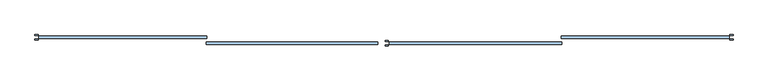
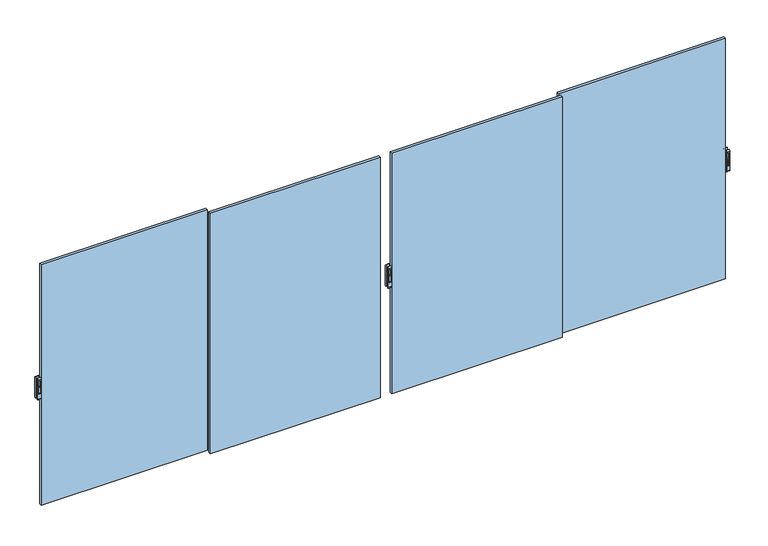
"""IFC4 building model written with IfcOpenShell, lengths in millimetres: window geometry."""

from ifc_helpers import new_model, si_unit, point, frame, frame_2d, origin, place, context, project, spatial, polyline, circle_curve, trimmed, segment, composite_curve, outline, extrude, source, transform, mapped, element, save
from ifc_brep_helpers import plane_surface, cylinder_surface, advanced_brep


def window_b14a711a(model_context):
    return source(origin(), model_context, "Body", "SolidModel", [
        extrude(outline(composite_curve([segment(polyline([(-105.3, 2225.2189223), (-105.3, 2289.6559659)]), True, "CONTINUOUS"), segment(trimmed(circle_curve(frame_2d((-94.7370436, 2289.6559659)), 10.5629564), [point((-105.3, 2289.6559659))], [point((-94.7370436, 2300.2189223))], False, "CARTESIAN"), True, "CONTINUOUS"), segment(polyline([(-94.7370436, 2300.2189223), (-99.5185218, 2225.2189223), (-105.3, 2225.2189223)]), True, "CONTINUOUS")], self_intersect=False)), frame((2124.9524004, 0.0, 0.0), z_axis=(1.0, 0.0, 0.0), x_axis=(0.0, 1.0, 0.0)), (0.0, 0.0, 1.0), 14.8235768),
        advanced_brep(
        [(2150.3600124, -105.3, 2157.5), (2150.3600124, -93.3, 2140.0), (2150.3600124, -93.3, 2400.0), (2150.3600124, -105.3, 2382.5), (2114.4063217, -105.3, 2157.5), (2114.4063217, -105.3, 2382.5), (2114.4063217, -93.3, 2400.0), (2114.4063217, -93.3, 2140.0), (2123.5689368, -105.3, 2366.667345), (2141.1594408, -105.3, 2366.667345), (2141.1594408, -105.3, 2210.7687336), (2123.5689368, -105.3, 2210.7687336), (2141.1594408, -94.7370436, 2366.667345), (2123.5689368, -94.7370436, 2366.667345), (2123.5689368, -94.7370436, 2210.7687336), (2141.1594408, -94.7370436, 2210.7687336)],
        [
            (0, 1, circle_curve(frame((2150.3600124, -86.5395833, 2157.5), z_axis=(1.0, 0.0, 0.0), x_axis=(0.0, 0.0, -1.0)), 18.7604167)),
            (1, 2),
            (2, 3, circle_curve(frame((2150.3600124, -86.5395833, 2382.5), z_axis=(1.0, 0.0, 0.0), x_axis=(0.0, 0.0, -1.0)), 18.7604167)),
            (3, 0),
            (4, 5),
            (5, 6, circle_curve(frame((2114.4063217, -86.5395833, 2382.5), z_axis=(-1.0, 0.0, 0.0), x_axis=(0.0, 0.0, -1.0)), 18.7604167)),
            (6, 7),
            (7, 4, circle_curve(frame((2114.4063217, -86.5395833, 2157.5), z_axis=(-1.0, 0.0, 0.0), x_axis=(0.0, 0.0, -1.0)), 18.7604167)),
            (1, 7),
            (6, 2),
            (3, 5),
            (4, 0),
            (8, 9),
            (9, 10),
            (10, 11),
            (11, 8),
            (12, 13),
            (13, 14),
            (14, 15),
            (15, 12),
            (12, 9),
            (8, 13),
            (11, 14),
            (10, 15),
        ],
        [
            plane_surface(frame((2150.3600124, -86.5395833, 2138.7395833), z_axis=(1.0, 0.0, 0.0), x_axis=(0.0, 1.0, 0.0))),
            plane_surface(frame((2114.4063217, -86.5395833, 2138.7395833), z_axis=(-1.0, 0.0, 0.0), x_axis=(0.0, -1.0, 0.0))),
            plane_surface(frame((2150.3600124, -93.3, 2140.0), z_axis=(0.0, 1.0, 0.0), x_axis=(-1.0, 0.0, 0.0))),
            plane_surface(frame((2150.3600124, -105.3, 2382.5), z_axis=(0.0, -1.0, 0.0), x_axis=(-1.0, 0.0, 0.0))),
            plane_surface(frame((2123.5689368, -94.7370436, 2366.667345), z_axis=(0.0, -1.0, 0.0), x_axis=(1.0, 0.0, 0.0))),
            plane_surface(frame((2141.1594408, -105.3, 2366.667345), z_axis=(0.0, 0.0, -1.0), x_axis=(0.0, 1.0, 0.0))),
            plane_surface(frame((2123.5689368, -105.3, 2366.667345), z_axis=(1.0, 0.0, 0.0), x_axis=(0.0, 1.0, 0.0))),
            plane_surface(frame((2123.5689368, -105.3, 2210.7687336), z_axis=(0.0, 0.0, 1.0), x_axis=(0.0, 1.0, 0.0))),
            plane_surface(frame((2141.1594408, -105.3, 2210.7687336), z_axis=(-1.0, 0.0, 0.0), x_axis=(0.0, 1.0, 0.0))),
            cylinder_surface(frame((2114.4063217, -86.5395833, 2157.5), z_axis=(1.0, 0.0, 0.0), x_axis=(0.0, 0.0, -1.0)), 18.7604167),
            cylinder_surface(frame((2114.4063217, -86.5395833, 2382.5), z_axis=(1.0, 0.0, 0.0), x_axis=(0.0, 0.0, -1.0)), 18.7604167),
        ],
        [
            (0, [[1, 2, 3, 4]]),
            (1, [[5, 6, 7, 8]]),
            (2, [[-2, 9, -7, 10]]),
            (3, [[-4, 11, -5, 12], [13, 14, 15, 16]]),
            (4, [[17, 18, 19, 20]]),
            (5, [[-17, 21, -13, 22]]),
            (6, [[-18, -22, -16, 23]]),
            (7, [[-19, -23, -15, 24]]),
            (8, [[-20, -24, -14, -21]]),
            (9, [[-1, -12, -8, -9]]),
            (10, [[-3, -10, -6, -11]]),
        ],
    ),
        extrude(outline(composite_curve([segment(polyline([(-44.9, 2225.2189223), (-50.6814782, 2225.2189223), (-55.4629564, 2300.2189223)]), True, "CONTINUOUS"), segment(trimmed(circle_curve(frame_2d((-55.4629564, 2289.6559659)), 10.5629564), [point((-55.4629564, 2300.2189223))], [point((-44.9, 2289.6559659))], False, "CARTESIAN"), True, "CONTINUOUS"), segment(polyline([(-44.9, 2289.6559659), (-44.9, 2225.2189223)]), True, "CONTINUOUS")], self_intersect=False)), frame((2125.0369102, 0.0, 0.0), z_axis=(1.0, 0.0, 0.0), x_axis=(0.0, 1.0, 0.0)), (0.0, 0.0, 1.0), 14.8235768),
        advanced_brep(
        [(2114.4528751, -44.9, 2157.5), (2114.4528751, -56.9, 2140.0), (2114.4528751, -56.9, 2400.0), (2114.4528751, -44.9, 2382.5), (2150.4065657, -44.9, 2157.5), (2150.4065657, -44.9, 2382.5), (2150.4065657, -56.9, 2400.0), (2150.4065657, -56.9, 2140.0), (2141.2439506, -44.9, 2366.667345), (2123.6534466, -44.9, 2366.667345), (2123.6534466, -44.9, 2210.7687336), (2141.2439506, -44.9, 2210.7687336), (2123.6534466, -55.4629564, 2366.667345), (2141.2439506, -55.4629564, 2366.667345), (2141.2439506, -55.4629564, 2210.7687336), (2123.6534466, -55.4629564, 2210.7687336)],
        [
            (0, 1, circle_curve(frame((2114.4528751, -63.6604167, 2157.5), z_axis=(-1.0, 0.0, 0.0), x_axis=(0.0, 0.0, -1.0)), 18.7604167)),
            (1, 2),
            (2, 3, circle_curve(frame((2114.4528751, -63.6604167, 2382.5), z_axis=(-1.0, 0.0, 0.0), x_axis=(0.0, 0.0, -1.0)), 18.7604167)),
            (3, 0),
            (4, 5),
            (5, 6, circle_curve(frame((2150.4065657, -63.6604167, 2382.5), z_axis=(1.0, 0.0, 0.0), x_axis=(0.0, 0.0, -1.0)), 18.7604167)),
            (6, 7),
            (7, 4, circle_curve(frame((2150.4065657, -63.6604167, 2157.5), z_axis=(1.0, 0.0, 0.0), x_axis=(0.0, 0.0, -1.0)), 18.7604167)),
            (1, 7),
            (6, 2),
            (3, 5),
            (4, 0),
            (8, 9),
            (9, 10),
            (10, 11),
            (11, 8),
            (12, 13),
            (13, 14),
            (14, 15),
            (15, 12),
            (12, 9),
            (8, 13),
            (11, 14),
            (10, 15),
        ],
        [
            plane_surface(frame((2114.4528751, -63.6604167, 2138.7395833), z_axis=(-1.0, 0.0, 0.0), x_axis=(0.0, -1.0, 0.0))),
            plane_surface(frame((2150.4065657, -63.6604167, 2138.7395833), z_axis=(1.0, 0.0, 0.0), x_axis=(0.0, 1.0, 0.0))),
            plane_surface(frame((2114.4528751, -56.9, 2140.0), z_axis=(0.0, -1.0, 0.0), x_axis=(1.0, 0.0, 0.0))),
            plane_surface(frame((2114.4528751, -44.9, 2382.5), z_axis=(0.0, 1.0, 0.0), x_axis=(1.0, 0.0, 0.0))),
            plane_surface(frame((2141.2439506, -55.4629564, 2366.667345), z_axis=(0.0, 1.0, 0.0), x_axis=(-1.0, 0.0, 0.0))),
            plane_surface(frame((2123.6534466, -44.9, 2366.667345), z_axis=(0.0, 0.0, -1.0), x_axis=(0.0, -1.0, 0.0))),
            plane_surface(frame((2141.2439506, -44.9, 2366.667345), z_axis=(-1.0, 0.0, 0.0), x_axis=(0.0, -1.0, 0.0))),
            plane_surface(frame((2141.2439506, -44.9, 2210.7687336), z_axis=(0.0, 0.0, 1.0), x_axis=(0.0, -1.0, 0.0))),
            plane_surface(frame((2123.6534466, -44.9, 2210.7687336), z_axis=(1.0, 0.0, 0.0), x_axis=(0.0, -1.0, 0.0))),
            cylinder_surface(frame((2150.4065657, -63.6604167, 2157.5), z_axis=(-1.0, 0.0, 0.0), x_axis=(0.0, 0.0, -1.0)), 18.7604167),
            cylinder_surface(frame((2150.4065657, -63.6604167, 2382.5), z_axis=(-1.0, 0.0, 0.0), x_axis=(0.0, 0.0, -1.0)), 18.7604167),
        ],
        [
            (0, [[1, 2, 3, 4]]),
            (1, [[5, 6, 7, 8]]),
            (2, [[-2, 9, -7, 10]]),
            (3, [[-4, 11, -5, 12], [13, 14, 15, 16]]),
            (4, [[17, 18, 19, 20]]),
            (5, [[-17, 21, -13, 22]]),
            (6, [[-18, -22, -16, 23]]),
            (7, [[-19, -23, -15, 24]]),
            (8, [[-20, -24, -14, -21]]),
            (9, [[-1, -12, -8, -9]]),
            (10, [[-3, -10, -6, -11]]),
        ],
    ),
        extrude(outline(composite_curve([segment(polyline([(-39.3, 2225.2189223), (-39.3, 2289.6559659)]), True, "CONTINUOUS"), segment(trimmed(circle_curve(frame_2d((-28.7370436, 2289.6559659)), 10.5629564), [point((-39.3, 2289.6559659))], [point((-28.7370436, 2300.2189223))], False, "CARTESIAN"), True, "CONTINUOUS"), segment(polyline([(-28.7370436, 2300.2189223), (-33.5185218, 2225.2189223), (-39.3, 2225.2189223)]), True, "CONTINUOUS")], self_intersect=False)), frame((6028.439635, 0.0, 0.0), z_axis=(1.0, 0.0, 0.0), x_axis=(0.0, 1.0, 0.0)), (0.0, 0.0, 1.0), 14.8235768),
        advanced_brep(
        [(6053.8472469, -39.3, 2157.5), (6053.8472469, -27.3, 2140.0), (6053.8472469, -27.3, 2400.0), (6053.8472469, -39.3, 2382.5), (6017.8935563, -39.3, 2157.5), (6017.8935563, -39.3, 2382.5), (6017.8935563, -27.3, 2400.0), (6017.8935563, -27.3, 2140.0), (6027.0561714, -39.3, 2366.667345), (6044.6466754, -39.3, 2366.667345), (6044.6466754, -39.3, 2210.7687336), (6027.0561714, -39.3, 2210.7687336), (6044.6466754, -28.7370436, 2366.667345), (6027.0561714, -28.7370436, 2366.667345), (6027.0561714, -28.7370436, 2210.7687336), (6044.6466754, -28.7370436, 2210.7687336)],
        [
            (0, 1, circle_curve(frame((6053.8472469, -20.5395833, 2157.5), z_axis=(1.0, 0.0, 0.0), x_axis=(0.0, 0.0, -1.0)), 18.7604167)),
            (1, 2),
            (2, 3, circle_curve(frame((6053.8472469, -20.5395833, 2382.5), z_axis=(1.0, 0.0, 0.0), x_axis=(0.0, 0.0, -1.0)), 18.7604167)),
            (3, 0),
            (4, 5),
            (5, 6, circle_curve(frame((6017.8935563, -20.5395833, 2382.5), z_axis=(-1.0, 0.0, 0.0), x_axis=(0.0, 0.0, -1.0)), 18.7604167)),
            (6, 7),
            (7, 4, circle_curve(frame((6017.8935563, -20.5395833, 2157.5), z_axis=(-1.0, 0.0, 0.0), x_axis=(0.0, 0.0, -1.0)), 18.7604167)),
            (1, 7),
            (6, 2),
            (3, 5),
            (4, 0),
            (8, 9),
            (9, 10),
            (10, 11),
            (11, 8),
            (12, 13),
            (13, 14),
            (14, 15),
            (15, 12),
            (12, 9),
            (8, 13),
            (11, 14),
            (10, 15),
        ],
        [
            plane_surface(frame((6053.8472469, -20.5395833, 2138.7395833), z_axis=(1.0, 0.0, 0.0), x_axis=(0.0, 1.0, 0.0))),
            plane_surface(frame((6017.8935563, -20.5395833, 2138.7395833), z_axis=(-1.0, 0.0, 0.0), x_axis=(0.0, -1.0, 0.0))),
            plane_surface(frame((6053.8472469, -27.3, 2140.0), z_axis=(0.0, 1.0, 0.0), x_axis=(-1.0, 0.0, 0.0))),
            plane_surface(frame((6053.8472469, -39.3, 2382.5), z_axis=(0.0, -1.0, 0.0), x_axis=(-1.0, 0.0, 0.0))),
            plane_surface(frame((6027.0561714, -28.7370436, 2366.667345), z_axis=(0.0, -1.0, 0.0), x_axis=(1.0, 0.0, 0.0))),
            plane_surface(frame((6044.6466754, -39.3, 2366.667345), z_axis=(0.0, 0.0, -1.0), x_axis=(0.0, 1.0, 0.0))),
            plane_surface(frame((6027.0561714, -39.3, 2366.667345), z_axis=(1.0, 0.0, 0.0), x_axis=(0.0, 1.0, 0.0))),
            plane_surface(frame((6027.0561714, -39.3, 2210.7687336), z_axis=(0.0, 0.0, 1.0), x_axis=(0.0, 1.0, 0.0))),
            plane_surface(frame((6044.6466754, -39.3, 2210.7687336), z_axis=(-1.0, 0.0, 0.0), x_axis=(0.0, 1.0, 0.0))),
            cylinder_surface(frame((6017.8935563, -20.5395833, 2157.5), z_axis=(1.0, 0.0, 0.0), x_axis=(0.0, 0.0, -1.0)), 18.7604167),
            cylinder_surface(frame((6017.8935563, -20.5395833, 2382.5), z_axis=(1.0, 0.0, 0.0), x_axis=(0.0, 0.0, -1.0)), 18.7604167),
        ],
        [
            (0, [[1, 2, 3, 4]]),
            (1, [[5, 6, 7, 8]]),
            (2, [[-2, 9, -7, 10]]),
            (3, [[-4, 11, -5, 12], [13, 14, 15, 16]]),
            (4, [[17, 18, 19, 20]]),
            (5, [[-17, 21, -13, 22]]),
            (6, [[-18, -22, -16, 23]]),
            (7, [[-19, -23, -15, 24]]),
            (8, [[-20, -24, -14, -21]]),
            (9, [[-1, -12, -8, -9]]),
            (10, [[-3, -10, -6, -11]]),
        ],
    ),
        extrude(outline(composite_curve([segment(polyline([(21.1, 2225.2189223), (15.3185218, 2225.2189223), (10.5370436, 2300.2189223)]), True, "CONTINUOUS"), segment(trimmed(circle_curve(frame_2d((10.5370436, 2289.6559659)), 10.5629564), [point((10.5370436, 2300.2189223))], [point((21.1, 2289.6559659))], False, "CARTESIAN"), True, "CONTINUOUS"), segment(polyline([(21.1, 2289.6559659), (21.1, 2225.2189223)]), True, "CONTINUOUS")], self_intersect=False)), frame((6028.5239007, 0.0, 0.0), z_axis=(1.0, 0.0, 0.0), x_axis=(0.0, 1.0, 0.0)), (0.0, 0.0, 1.0), 14.8235768),
        advanced_brep(
        [(6017.9398656, 21.1, 2157.5), (6017.9398656, 9.1, 2140.0), (6017.9398656, 9.1, 2400.0), (6017.9398656, 21.1, 2382.5), (6053.8935563, 21.1, 2157.5), (6053.8935563, 21.1, 2382.5), (6053.8935563, 9.1, 2400.0), (6053.8935563, 9.1, 2140.0), (6044.7309411, 21.1, 2366.667345), (6027.1404371, 21.1, 2366.667345), (6027.1404371, 21.1, 2210.7687336), (6044.7309411, 21.1, 2210.7687336), (6027.1404371, 10.5370436, 2366.667345), (6044.7309411, 10.5370436, 2366.667345), (6044.7309411, 10.5370436, 2210.7687336), (6027.1404371, 10.5370436, 2210.7687336)],
        [
            (0, 1, circle_curve(frame((6017.9398656, 2.3395833, 2157.5), z_axis=(-1.0, 0.0, 0.0), x_axis=(0.0, 0.0, -1.0)), 18.7604167)),
            (1, 2),
            (2, 3, circle_curve(frame((6017.9398656, 2.3395833, 2382.5), z_axis=(-1.0, 0.0, 0.0), x_axis=(0.0, 0.0, -1.0)), 18.7604167)),
            (3, 0),
            (4, 5),
            (5, 6, circle_curve(frame((6053.8935563, 2.3395833, 2382.5), z_axis=(1.0, 0.0, 0.0), x_axis=(0.0, 0.0, -1.0)), 18.7604167)),
            (6, 7),
            (7, 4, circle_curve(frame((6053.8935563, 2.3395833, 2157.5), z_axis=(1.0, 0.0, 0.0), x_axis=(0.0, 0.0, -1.0)), 18.7604167)),
            (1, 7),
            (6, 2),
            (3, 5),
            (4, 0),
            (8, 9),
            (9, 10),
            (10, 11),
            (11, 8),
            (12, 13),
            (13, 14),
            (14, 15),
            (15, 12),
            (12, 9),
            (8, 13),
            (11, 14),
            (10, 15),
        ],
        [
            plane_surface(frame((6017.9398656, 2.3395833, 2138.7395833), z_axis=(-1.0, 0.0, 0.0), x_axis=(0.0, -1.0, 0.0))),
            plane_surface(frame((6053.8935563, 2.3395833, 2138.7395833), z_axis=(1.0, 0.0, 0.0), x_axis=(0.0, 1.0, 0.0))),
            plane_surface(frame((6017.9398656, 9.1, 2140.0), z_axis=(0.0, -1.0, 0.0), x_axis=(1.0, 0.0, 0.0))),
            plane_surface(frame((6017.9398656, 21.1, 2382.5), z_axis=(0.0, 1.0, 0.0), x_axis=(1.0, 0.0, 0.0))),
            plane_surface(frame((6044.7309411, 10.5370436, 2366.667345), z_axis=(0.0, 1.0, 0.0), x_axis=(-1.0, 0.0, 0.0))),
            plane_surface(frame((6027.1404371, 21.1, 2366.667345), z_axis=(0.0, 0.0, -1.0), x_axis=(0.0, -1.0, 0.0))),
            plane_surface(frame((6044.7309411, 21.1, 2366.667345), z_axis=(-1.0, 0.0, 0.0), x_axis=(0.0, -1.0, 0.0))),
            plane_surface(frame((6044.7309411, 21.1, 2210.7687336), z_axis=(0.0, 0.0, 1.0), x_axis=(0.0, -1.0, 0.0))),
            plane_surface(frame((6027.1404371, 21.1, 2210.7687336), z_axis=(1.0, 0.0, 0.0), x_axis=(0.0, -1.0, 0.0))),
            cylinder_surface(frame((6053.8935563, 2.3395833, 2157.5), z_axis=(-1.0, 0.0, 0.0), x_axis=(0.0, 0.0, -1.0)), 18.7604167),
            cylinder_surface(frame((6053.8935563, 2.3395833, 2382.5), z_axis=(-1.0, 0.0, 0.0), x_axis=(0.0, 0.0, -1.0)), 18.7604167),
        ],
        [
            (0, [[1, 2, 3, 4]]),
            (1, [[5, 6, 7, 8]]),
            (2, [[-2, 9, -7, 10]]),
            (3, [[-4, 11, -5, 12], [13, 14, 15, 16]]),
            (4, [[17, 18, 19, 20]]),
            (5, [[-17, 21, -13, 22]]),
            (6, [[-18, -22, -16, 23]]),
            (7, [[-19, -23, -15, 24]]),
            (8, [[-20, -24, -14, -21]]),
            (9, [[-1, -12, -8, -9]]),
            (10, [[-3, -10, -6, -11]]),
        ],
    ),
        extrude(outline(composite_curve([segment(polyline([(-39.3, 2225.2189223), (-39.3, 2289.6559659)]), True, "CONTINUOUS"), segment(trimmed(circle_curve(frame_2d((-28.7370436, 2289.6559659)), 10.5629564), [point((-39.3, 2289.6559659))], [point((-28.7370436, 2300.2189223))], False, "CARTESIAN"), True, "CONTINUOUS"), segment(polyline([(-28.7370436, 2300.2189223), (-33.5185218, 2225.2189223), (-39.3, 2225.2189223)]), True, "CONTINUOUS")], self_intersect=False)), frame((-1843.3474775, 0.0, 0.0), z_axis=(1.0, 0.0, 0.0), x_axis=(0.0, 1.0, 0.0)), (0.0, 0.0, 1.0), 14.8235768),
        advanced_brep(
        [(-1817.9398656, -39.3, 2157.5), (-1817.9398656, -27.3, 2140.0), (-1817.9398656, -27.3, 2400.0), (-1817.9398656, -39.3, 2382.5), (-1853.8935563, -39.3, 2157.5), (-1853.8935563, -39.3, 2382.5), (-1853.8935563, -27.3, 2400.0), (-1853.8935563, -27.3, 2140.0), (-1844.7309411, -39.3, 2366.667345), (-1827.1404371, -39.3, 2366.667345), (-1827.1404371, -39.3, 2210.7687336), (-1844.7309411, -39.3, 2210.7687336), (-1827.1404371, -28.7370436, 2366.667345), (-1844.7309411, -28.7370436, 2366.667345), (-1844.7309411, -28.7370436, 2210.7687336), (-1827.1404371, -28.7370436, 2210.7687336)],
        [
            (0, 1, circle_curve(frame((-1817.9398656, -20.5395833, 2157.5), z_axis=(1.0, 0.0, 0.0), x_axis=(0.0, 0.0, -1.0)), 18.7604167)),
            (1, 2),
            (2, 3, circle_curve(frame((-1817.9398656, -20.5395833, 2382.5), z_axis=(1.0, 0.0, 0.0), x_axis=(0.0, 0.0, -1.0)), 18.7604167)),
            (3, 0),
            (4, 5),
            (5, 6, circle_curve(frame((-1853.8935563, -20.5395833, 2382.5), z_axis=(-1.0, 0.0, 0.0), x_axis=(0.0, 0.0, -1.0)), 18.7604167)),
            (6, 7),
            (7, 4, circle_curve(frame((-1853.8935563, -20.5395833, 2157.5), z_axis=(-1.0, 0.0, 0.0), x_axis=(0.0, 0.0, -1.0)), 18.7604167)),
            (1, 7),
            (6, 2),
            (3, 5),
            (4, 0),
            (8, 9),
            (9, 10),
            (10, 11),
            (11, 8),
            (12, 13),
            (13, 14),
            (14, 15),
            (15, 12),
            (12, 9),
            (8, 13),
            (11, 14),
            (10, 15),
        ],
        [
            plane_surface(frame((-1817.9398656, -20.5395833, 2138.7395833), z_axis=(1.0, 0.0, 0.0), x_axis=(0.0, 1.0, 0.0))),
            plane_surface(frame((-1853.8935563, -20.5395833, 2138.7395833), z_axis=(-1.0, 0.0, 0.0), x_axis=(0.0, -1.0, 0.0))),
            plane_surface(frame((-1817.9398656, -27.3, 2140.0), z_axis=(0.0, 1.0, 0.0), x_axis=(-1.0, 0.0, 0.0))),
            plane_surface(frame((-1817.9398656, -39.3, 2382.5), z_axis=(0.0, -1.0, 0.0), x_axis=(-1.0, 0.0, 0.0))),
            plane_surface(frame((-1844.7309411, -28.7370436, 2366.667345), z_axis=(0.0, -1.0, 0.0), x_axis=(1.0, 0.0, 0.0))),
            plane_surface(frame((-1827.1404371, -39.3, 2366.667345), z_axis=(0.0, 0.0, -1.0), x_axis=(0.0, 1.0, 0.0))),
            plane_surface(frame((-1844.7309411, -39.3, 2366.667345), z_axis=(1.0, 0.0, 0.0), x_axis=(0.0, 1.0, 0.0))),
            plane_surface(frame((-1844.7309411, -39.3, 2210.7687336), z_axis=(0.0, 0.0, 1.0), x_axis=(0.0, 1.0, 0.0))),
            plane_surface(frame((-1827.1404371, -39.3, 2210.7687336), z_axis=(-1.0, 0.0, 0.0), x_axis=(0.0, 1.0, 0.0))),
            cylinder_surface(frame((-1853.8935563, -20.5395833, 2157.5), z_axis=(1.0, 0.0, 0.0), x_axis=(0.0, 0.0, -1.0)), 18.7604167),
            cylinder_surface(frame((-1853.8935563, -20.5395833, 2382.5), z_axis=(1.0, 0.0, 0.0), x_axis=(0.0, 0.0, -1.0)), 18.7604167),
        ],
        [
            (0, [[1, 2, 3, 4]]),
            (1, [[5, 6, 7, 8]]),
            (2, [[-2, 9, -7, 10]]),
            (3, [[-4, 11, -5, 12], [13, 14, 15, 16]]),
            (4, [[17, 18, 19, 20]]),
            (5, [[-17, 21, -13, 22]]),
            (6, [[-18, -22, -16, 23]]),
            (7, [[-19, -23, -15, 24]]),
            (8, [[-20, -24, -14, -21]]),
            (9, [[-1, -12, -8, -9]]),
            (10, [[-3, -10, -6, -11]]),
        ],
    ),
        extrude(outline(composite_curve([segment(polyline([(21.1, 2225.2189223), (15.3185218, 2225.2189223), (10.5370436, 2300.2189223)]), True, "CONTINUOUS"), segment(trimmed(circle_curve(frame_2d((10.5370436, 2289.6559659)), 10.5629564), [point((10.5370436, 2300.2189223))], [point((21.1, 2289.6559659))], False, "CARTESIAN"), True, "CONTINUOUS"), segment(polyline([(21.1, 2289.6559659), (21.1, 2225.2189223)]), True, "CONTINUOUS")], self_intersect=False)), frame((-1843.2632118, 0.0, 0.0), z_axis=(1.0, 0.0, 0.0), x_axis=(0.0, 1.0, 0.0)), (0.0, 0.0, 1.0), 14.8235768),
        advanced_brep(
        [(-1853.8472469, 21.1, 2157.5), (-1853.8472469, 9.1, 2140.0), (-1853.8472469, 9.1, 2400.0), (-1853.8472469, 21.1, 2382.5), (-1817.8935563, 21.1, 2157.5), (-1817.8935563, 21.1, 2382.5), (-1817.8935563, 9.1, 2400.0), (-1817.8935563, 9.1, 2140.0), (-1827.0561714, 21.1, 2366.667345), (-1844.6466754, 21.1, 2366.667345), (-1844.6466754, 21.1, 2210.7687336), (-1827.0561714, 21.1, 2210.7687336), (-1844.6466754, 10.5370436, 2366.667345), (-1827.0561714, 10.5370436, 2366.667345), (-1827.0561714, 10.5370436, 2210.7687336), (-1844.6466754, 10.5370436, 2210.7687336)],
        [
            (0, 1, circle_curve(frame((-1853.8472469, 2.3395833, 2157.5), z_axis=(-1.0, 0.0, 0.0), x_axis=(0.0, 0.0, -1.0)), 18.7604167)),
            (1, 2),
            (2, 3, circle_curve(frame((-1853.8472469, 2.3395833, 2382.5), z_axis=(-1.0, 0.0, 0.0), x_axis=(0.0, 0.0, -1.0)), 18.7604167)),
            (3, 0),
            (4, 5),
            (5, 6, circle_curve(frame((-1817.8935563, 2.3395833, 2382.5), z_axis=(1.0, 0.0, 0.0), x_axis=(0.0, 0.0, -1.0)), 18.7604167)),
            (6, 7),
            (7, 4, circle_curve(frame((-1817.8935563, 2.3395833, 2157.5), z_axis=(1.0, 0.0, 0.0), x_axis=(0.0, 0.0, -1.0)), 18.7604167)),
            (1, 7),
            (6, 2),
            (3, 5),
            (4, 0),
            (8, 9),
            (9, 10),
            (10, 11),
            (11, 8),
            (12, 13),
            (13, 14),
            (14, 15),
            (15, 12),
            (12, 9),
            (8, 13),
            (11, 14),
            (10, 15),
        ],
        [
            plane_surface(frame((-1853.8472469, 2.3395833, 2138.7395833), z_axis=(-1.0, 0.0, 0.0), x_axis=(0.0, -1.0, 0.0))),
            plane_surface(frame((-1817.8935563, 2.3395833, 2138.7395833), z_axis=(1.0, 0.0, 0.0), x_axis=(0.0, 1.0, 0.0))),
            plane_surface(frame((-1853.8472469, 9.1, 2140.0), z_axis=(0.0, -1.0, 0.0), x_axis=(1.0, 0.0, 0.0))),
            plane_surface(frame((-1853.8472469, 21.1, 2382.5), z_axis=(0.0, 1.0, 0.0), x_axis=(1.0, 0.0, 0.0))),
            plane_surface(frame((-1827.0561714, 10.5370436, 2366.667345), z_axis=(0.0, 1.0, 0.0), x_axis=(-1.0, 0.0, 0.0))),
            plane_surface(frame((-1844.6466754, 21.1, 2366.667345), z_axis=(0.0, 0.0, -1.0), x_axis=(0.0, -1.0, 0.0))),
            plane_surface(frame((-1827.0561714, 21.1, 2366.667345), z_axis=(-1.0, 0.0, 0.0), x_axis=(0.0, -1.0, 0.0))),
            plane_surface(frame((-1827.0561714, 21.1, 2210.7687336), z_axis=(0.0, 0.0, 1.0), x_axis=(0.0, -1.0, 0.0))),
            plane_surface(frame((-1844.6466754, 21.1, 2210.7687336), z_axis=(1.0, 0.0, 0.0), x_axis=(0.0, -1.0, 0.0))),
            cylinder_surface(frame((-1817.8935563, 2.3395833, 2157.5), z_axis=(-1.0, 0.0, 0.0), x_axis=(0.0, 0.0, -1.0)), 18.7604167),
            cylinder_surface(frame((-1817.8935563, 2.3395833, 2382.5), z_axis=(-1.0, 0.0, 0.0), x_axis=(0.0, 0.0, -1.0)), 18.7604167),
        ],
        [
            (0, [[1, 2, 3, 4]]),
            (1, [[5, 6, 7, 8]]),
            (2, [[-2, 9, -7, 10]]),
            (3, [[-4, 11, -5, 12], [13, 14, 15, 16]]),
            (4, [[17, 18, 19, 20]]),
            (5, [[-17, 21, -13, 22]]),
            (6, [[-18, -22, -16, 23]]),
            (7, [[-19, -23, -15, 24]]),
            (8, [[-20, -24, -14, -21]]),
            (9, [[-1, -12, -8, -9]]),
            (10, [[-3, -10, -6, -11]]),
        ],
    ),
        extrude(outline(polyline([(88.0, -90.1), (88.0, -60.1), (2028.4, -60.1), (2028.4, -90.1), (88.0, -90.1)])), frame((0.0, 0.0, 847.0000675), z_axis=(0.0, 0.0, 1.0), x_axis=(1.0, 0.0, 0.0)), (0.0, 0.0, 1.0), 2905.9998651),
        extrude(outline(polyline([(2159.3, -90.1), (2159.3, -60.1), (4112.0, -60.1), (4112.0, -90.1), (2159.3, -90.1)])), frame((0.0, 0.0, 847.0000675), z_axis=(0.0, 0.0, 1.0), x_axis=(1.0, 0.0, 0.0)), (0.0, 0.0, 1.0), 2905.9998651),
        extrude(outline(polyline([(4108.0, -24.1), (4108.0, 5.9), (6009.0, 5.9), (6009.0, -24.1), (4108.0, -24.1)])), frame((0.0, 0.0, 847.0000675), z_axis=(0.0, 0.0, 1.0), x_axis=(1.0, 0.0, 0.0)), (0.0, 0.0, 1.0), 2905.9998651),
        extrude(outline(polyline([(-1809.0, -24.1), (-1809.0, 5.9), (92.0, 5.9), (92.0, -24.1), (-1809.0, -24.1)])), frame((0.0, 0.0, 847.0000675), z_axis=(0.0, 0.0, 1.0), x_axis=(1.0, 0.0, 0.0)), (0.0, 0.0, 1.0), 2905.9998651),
    ])


if __name__ == "__main__":
    model = new_model("IFC4")
    model_context = context("Model", 3, world=origin())
    ifc_project = project(units=[si_unit("LENGTHUNIT", "METRE", prefix="MILLI")], contexts=[model_context])
    site = spatial("IfcSite", under=ifc_project)
    building = spatial("IfcBuilding", under=site)
    placement = place(None, origin())
    window_shape = window_b14a711a(model_context)
    element("IfcWindow", 1, at=placement, inside=building, context=model_context, shape_type="MappedRepresentation", body=[
        mapped(window_shape, transform((0.0, 0.0, 0.0), x_axis=(1.0, 0.0, 0.0), y_axis=(0.0, 1.0, 0.0), z_axis=(0.0, 0.0, 1.0))),
    ])
    save(model, "model.ifc")
